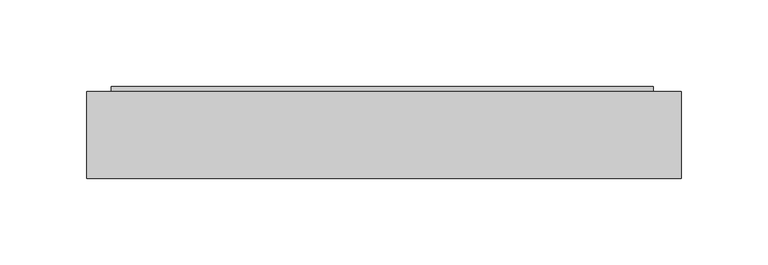
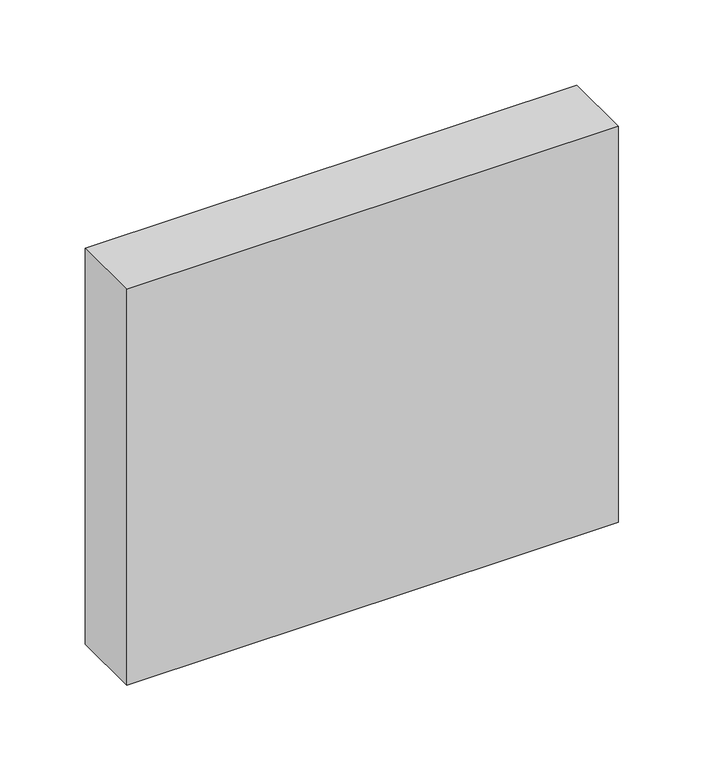
"""IFC4 building model written with IfcOpenShell, lengths in millimetres: proxy geometry."""

import ifcopenshell
import ifcopenshell.guid

model = None  # the IFC model being written
_history = None  # IfcOwnerHistory: only IFC2X3 demands one
_inside = {}  # id of a spatial element -> (the spatial element, [elements in it])
_under = {}  # id of a project, library or spatial element -> (it, [spatial elements below it])
_declared = {}  # id of a project -> (the project, [libraries it declares])
_typed = {}  # id of a type object -> (the type object, [elements of that type])
_made_of = {}  # id of a material, layer set ... -> (it, [elements and type objects made of it])


def new_model(schema):
    """Start an empty IFC model of exactly this schema.

    Asked for "IFC4X3", IfcOpenShell would pick the latest addendum, in which some entities
    have other attributes; the version numbers below select the first issue.
    IFC2X3 requires an IfcOwnerHistory on every rooted entity: one is made here for all.
    """
    global model, _history
    if schema == "IFC4X3":
        model = ifcopenshell.file(schema_version=(4, 3, 0, 0))
    else:
        model = ifcopenshell.file(schema=schema)
    _inside.clear()
    _under.clear()
    _declared.clear()
    _typed.clear()
    _made_of.clear()
    _history = None
    if model.schema == "IFC2X3":
        org = make("IfcOrganization", Name="unknown")
        user = make(
            "IfcPersonAndOrganization",
            ThePerson=make("IfcPerson", FamilyName="unknown"),
            TheOrganization=org,
        )
        app = make(
            "IfcApplication",
            ApplicationDeveloper=org,
            Version="unknown",
            ApplicationFullName="unknown",
            ApplicationIdentifier="unknown",
        )
        _history = make(
            "IfcOwnerHistory",
            OwningUser=user,
            OwningApplication=app,
            ChangeAction="ADDED",
            CreationDate=0,
        )
    return model


def make(cls, **values):
    """One entity of the class cls with the attributes given. An attribute that is None is left unset."""
    return model.create_entity(
        cls, **{name: value for name, value in values.items() if value is not None}
    )


def rooted(cls, **values):
    """An entity with a GlobalId (a new one), such as an element, a storey or a relation."""
    return make(cls, GlobalId=ifcopenshell.guid.new(), OwnerHistory=_history, **values)


def si_unit(unit_type, name, prefix=None):
    """IfcSIUnit, for example si_unit("LENGTHUNIT", "METRE", prefix="MILLI")."""
    return make("IfcSIUnit", UnitType=unit_type, Prefix=prefix, Name=name)


def assignment(units):
    """IfcUnitAssignment: the units of a project."""
    return None if units is None else make("IfcUnitAssignment", Units=units)


def point(xyz):
    """IfcCartesianPoint."""
    return None if xyz is None else make("IfcCartesianPoint", Coordinates=xyz)


def direction(xyz):
    """IfcDirection."""
    return None if xyz is None else make("IfcDirection", DirectionRatios=xyz)


def frame(location, z_axis=None, x_axis=None):
    """IfcAxis2Placement3D, a coordinate frame: its origin and axes. An axis left out is left unset."""
    return make(
        "IfcAxis2Placement3D",
        Location=point(location),
        Axis=direction(z_axis),
        RefDirection=direction(x_axis),
    )


def frame_2d(location, x_axis=None):
    """IfcAxis2Placement2D, a coordinate frame in the plane: its origin and x axis."""
    return make(
        "IfcAxis2Placement2D", Location=point(location), RefDirection=direction(x_axis)
    )


def origin():
    """The frame at (0, 0, 0) with its axes left unset."""
    return frame((0.0, 0.0, 0.0))


def place(relative_to, where):
    """IfcLocalPlacement: puts the frame where relative to a parent placement (None: the world)."""
    return make(
        "IfcLocalPlacement", PlacementRelTo=relative_to, RelativePlacement=where
    )


def context(
    kind, dimensions, precision=None, world=None, true_north=None, identifier=None
):
    """IfcGeometricRepresentationContext, for example the 3D "Model" context."""
    return make(
        "IfcGeometricRepresentationContext",
        ContextIdentifier=identifier,
        ContextType=kind,
        CoordinateSpaceDimension=dimensions,
        Precision=precision,
        WorldCoordinateSystem=world,
        TrueNorth=true_north,
    )


def project(units=None, contexts=None):
    """IfcProject with its units and contexts."""
    return rooted(
        "IfcProject",
        Name="project",
        RepresentationContexts=contexts,
        UnitsInContext=assignment(units),
    )


def spatial(cls, under=None, at=None, **own):
    """A site, building, storey or space (cls), placed at a placement, below another one or the project."""
    s = rooted(cls, ObjectPlacement=at, **own)
    if under is not None:
        _under.setdefault(under.id(), (under, []))[1].append(s)
    return s


def polyline(points):
    """IfcPolyline through the points."""
    return make("IfcPolyline", Points=[point(p) for p in points])


def circle_curve(where, radius):
    """IfcCircle in the frame where."""
    return make("IfcCircle", Position=where, Radius=radius)


def trimmed(basis, trim1, trim2, sense, master):
    """IfcTrimmedCurve: the piece of a basis curve between two trims."""
    return make(
        "IfcTrimmedCurve",
        BasisCurve=basis,
        Trim1=trim1,
        Trim2=trim2,
        SenseAgreement=sense,
        MasterRepresentation=master,
    )


def segment(curve, same_sense, transition):
    """IfcCompositeCurveSegment."""
    return make(
        "IfcCompositeCurveSegment",
        Transition=transition,
        SameSense=same_sense,
        ParentCurve=curve,
    )


def composite_curve(segments, self_intersect=None):
    """IfcCompositeCurve: segments joined end to end."""
    return make("IfcCompositeCurve", Segments=segments, SelfIntersect=self_intersect)


def outline(outer, holes=None, kind="AREA"):
    """IfcArbitraryClosedProfileDef: a profile drawn as a closed curve; with holes, ...WithVoids."""
    if holes is None:
        return make("IfcArbitraryClosedProfileDef", ProfileType=kind, OuterCurve=outer)
    return make(
        "IfcArbitraryProfileDefWithVoids",
        ProfileType=kind,
        OuterCurve=outer,
        InnerCurves=holes,
    )


def extrude(swept, where, along, depth):
    """IfcExtrudedAreaSolid: the profile swept, set in the frame where, extruded along a direction by depth."""
    return make(
        "IfcExtrudedAreaSolid",
        SweptArea=swept,
        Position=where,
        ExtrudedDirection=direction(along),
        Depth=depth,
    )


def shape(context_of_items, identifier, shape_type, items):
    """IfcShapeRepresentation: the items that make up one representation, for example the "Body"."""
    return make(
        "IfcShapeRepresentation",
        ContextOfItems=context_of_items,
        RepresentationIdentifier=identifier,
        RepresentationType=shape_type,
        Items=items,
    )


def source(mapping_origin, context_of_items, identifier, shape_type, items):
    """IfcRepresentationMap: a shape defined once, which mapped items show again and again."""
    return make(
        "IfcRepresentationMap",
        MappingOrigin=mapping_origin,
        MappedRepresentation=shape(context_of_items, identifier, shape_type, items),
    )


def transform(
    local_origin,
    x_axis=None,
    y_axis=None,
    z_axis=None,
    scale=None,
    scale2=None,
    scale3=None,
    uniform=True,
):
    """IfcCartesianTransformationOperator3D, or its non-uniform kind. x_axis, y_axis, z_axis: its Axis1, 2, 3."""
    if uniform:
        return make(
            "IfcCartesianTransformationOperator3D",
            Axis1=direction(x_axis),
            Axis2=direction(y_axis),
            LocalOrigin=point(local_origin),
            Scale=scale,
            Axis3=direction(z_axis),
        )
    return make(
        "IfcCartesianTransformationOperator3DnonUniform",
        Axis1=direction(x_axis),
        Axis2=direction(y_axis),
        LocalOrigin=point(local_origin),
        Scale=scale,
        Axis3=direction(z_axis),
        Scale2=scale2,
        Scale3=scale3,
    )


def mapped(mapping_source, mapping_target):
    """IfcMappedItem: shows the shape of a source again, moved by a transform."""
    return make(
        "IfcMappedItem", MappingSource=mapping_source, MappingTarget=mapping_target
    )


def made_of(thing, what):
    """Note that an element or type object is made of a material, layer set ...; save() writes the relation."""
    if what is not None:
        _made_of.setdefault(what.id(), (what, []))[1].append(thing)
    return thing


def element(
    cls,
    number,
    at=None,
    inside=None,
    cuts=None,
    type_object=None,
    material=None,
    context=None,
    identifier="Body",
    shape_type=None,
    held_by="IfcProductDefinitionShape",
    body=None,
    shapes=None,
    **own,
):
    """One element of the class cls, such as IfcWall. Its Tag is "e" and its number.

    at: its placement. inside: the storey or other place that contains it. cuts: it is an
    opening in that element (IfcRelVoidsElement). A single representation is given by context,
    identifier, shape_type and body (its items); several are given by shapes. held_by: the class
    of the entity that holds the representations. save() writes the other relations.
    """
    e = rooted(cls, Tag="e%d" % number, ObjectPlacement=at, **own)
    if body is not None:
        shapes = [shape(context, identifier, shape_type, body)]
    if shapes is not None:
        e.Representation = make(held_by, Representations=shapes)
    if inside is not None:
        _inside.setdefault(inside.id(), (inside, []))[1].append(e)
    if cuts is not None:
        rooted(
            "IfcRelVoidsElement", RelatingBuildingElement=cuts, RelatedOpeningElement=e
        )
    if type_object is not None:
        _typed.setdefault(type_object.id(), (type_object, []))[1].append(e)
    return made_of(e, material)


def aggregate(whole, parts):
    """IfcRelAggregates: a whole, such as a stair, and the parts it consists of."""
    return rooted("IfcRelAggregates", RelatingObject=whole, RelatedObjects=parts)


def save(model, path):
    """Write the relations noted so far, then the file.

    IfcRelAggregates (storeys below a building ...), IfcRelContainedInSpatialStructure (elements
    in a storey), IfcRelDefinesByType, IfcRelAssociatesMaterial and IfcRelDeclares: one each for
    every whole, place, type object, material and project.
    """
    for whole, parts in _under.values():
        aggregate(whole, parts)
    for where, things in _inside.values():
        rooted(
            "IfcRelContainedInSpatialStructure",
            RelatedElements=things,
            RelatingStructure=where,
        )
    for kind, things in _typed.values():
        rooted("IfcRelDefinesByType", RelatedObjects=things, RelatingType=kind)
    for what, things in _made_of.values():
        rooted("IfcRelAssociatesMaterial", RelatedObjects=things, RelatingMaterial=what)
    for by, libraries in _declared.values():
        rooted("IfcRelDeclares", RelatingContext=by, RelatedDefinitions=libraries)
    model.write(path)


def generic_models_e9f6e3d4(model_context):
    return source(origin(), model_context, "Body", "SweptSolid", [
        extrude(outline(composite_curve([segment(trimmed(circle_curve(frame_2d((1410.3045108, -106.9859828)), 7.6641233), [point((1410.3045108, -99.3218595))], [point((1410.3045108, -114.6501061))], False, "CARTESIAN"), True, "CONTINUOUS"), segment(trimmed(circle_curve(frame_2d((1410.3045108, -106.9859828)), 7.6641233), [point((1410.3045108, -114.6501061))], [point((1410.3045108, -99.3218595))], False, "CARTESIAN"), True, "CONTINUOUS")], self_intersect=False)), frame((0.0, 126.2, 0.0), z_axis=(0.0, 1.0, 0.0), x_axis=(0.0, 0.0, 1.0)), (0.0, 0.0, 1.0), 2.0753855),
        extrude(outline(polyline([(157.2205332, 103.7387258), (-155.2794668, 103.7387258), (-155.2794668, 129.199058), (157.2205332, 129.199058), (157.2205332, 103.7387258)])), frame((0.0, 0.0, 1419.715752), z_axis=(0.0, 0.0, 1.0), x_axis=(1.0, 0.0, 0.0)), (0.0, 0.0, 1.0), 255.0),
        extrude(outline(polyline([(173.4887365, 76.2), (-169.4112635, 76.2), (-169.4112635, 126.2), (173.4887365, 126.2), (173.4887365, 76.2)])), frame((0.0, 0.0, 1401.0226842), z_axis=(0.0, 0.0, 1.0), x_axis=(1.0, 0.0, 0.0)), (0.0, 0.0, 1.0), 292.1),
    ])


if __name__ == "__main__":
    model = new_model("IFC4")
    model_context = context("Model", 3, world=origin())
    ifc_project = project(units=[si_unit("LENGTHUNIT", "METRE", prefix="MILLI")], contexts=[model_context])
    site = spatial("IfcSite", under=ifc_project)
    building = spatial("IfcBuilding", under=site)
    placement = place(None, origin())
    generic_models_shape = generic_models_e9f6e3d4(model_context)
    element("IfcBuildingElementProxy", 1, Name="Generic Models", at=placement, inside=building, context=model_context, shape_type="MappedRepresentation", body=[
        mapped(generic_models_shape, transform((0.0, 0.0, 0.0), x_axis=(1.0, 0.0, 0.0), y_axis=(0.0, 1.0, 0.0), z_axis=(0.0, 0.0, 1.0))),
    ])
    save(model, "model.ifc")
